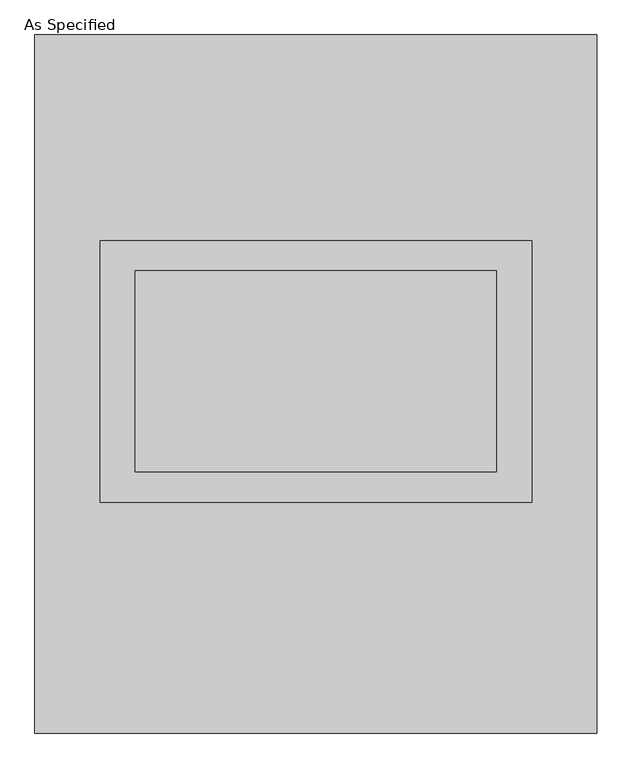
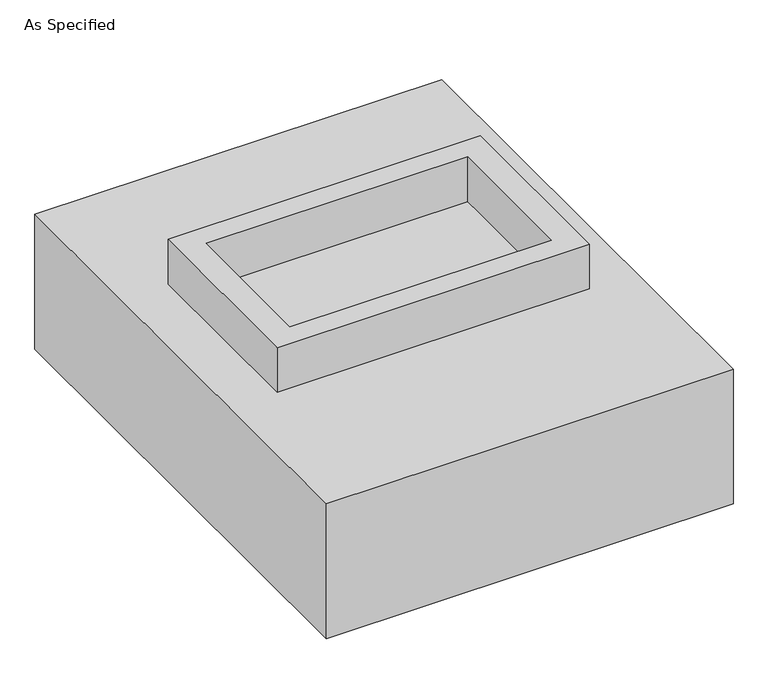
"""IFC4 building model written with IfcOpenShell, lengths in millimetres: proxy geometry, As Specified."""

import ifcopenshell
import ifcopenshell.guid

model = None  # the IFC model being written
_history = None  # IfcOwnerHistory: only IFC2X3 demands one
_inside = {}  # id of a spatial element -> (the spatial element, [elements in it])
_under = {}  # id of a project, library or spatial element -> (it, [spatial elements below it])
_declared = {}  # id of a project -> (the project, [libraries it declares])
_typed = {}  # id of a type object -> (the type object, [elements of that type])
_made_of = {}  # id of a material, layer set ... -> (it, [elements and type objects made of it])


def new_model(schema):
    """Start an empty IFC model of exactly this schema.

    Asked for "IFC4X3", IfcOpenShell would pick the latest addendum, in which some entities
    have other attributes; the version numbers below select the first issue.
    IFC2X3 requires an IfcOwnerHistory on every rooted entity: one is made here for all.
    """
    global model, _history
    if schema == "IFC4X3":
        model = ifcopenshell.file(schema_version=(4, 3, 0, 0))
    else:
        model = ifcopenshell.file(schema=schema)
    _inside.clear()
    _under.clear()
    _declared.clear()
    _typed.clear()
    _made_of.clear()
    _history = None
    if model.schema == "IFC2X3":
        org = make("IfcOrganization", Name="unknown")
        user = make(
            "IfcPersonAndOrganization",
            ThePerson=make("IfcPerson", FamilyName="unknown"),
            TheOrganization=org,
        )
        app = make(
            "IfcApplication",
            ApplicationDeveloper=org,
            Version="unknown",
            ApplicationFullName="unknown",
            ApplicationIdentifier="unknown",
        )
        _history = make(
            "IfcOwnerHistory",
            OwningUser=user,
            OwningApplication=app,
            ChangeAction="ADDED",
            CreationDate=0,
        )
    return model


def make(cls, **values):
    """One entity of the class cls with the attributes given. An attribute that is None is left unset."""
    return model.create_entity(
        cls, **{name: value for name, value in values.items() if value is not None}
    )


def rooted(cls, **values):
    """An entity with a GlobalId (a new one), such as an element, a storey or a relation."""
    return make(cls, GlobalId=ifcopenshell.guid.new(), OwnerHistory=_history, **values)


def si_unit(unit_type, name, prefix=None):
    """IfcSIUnit, for example si_unit("LENGTHUNIT", "METRE", prefix="MILLI")."""
    return make("IfcSIUnit", UnitType=unit_type, Prefix=prefix, Name=name)


def assignment(units):
    """IfcUnitAssignment: the units of a project."""
    return None if units is None else make("IfcUnitAssignment", Units=units)


def point(xyz):
    """IfcCartesianPoint."""
    return None if xyz is None else make("IfcCartesianPoint", Coordinates=xyz)


def direction(xyz):
    """IfcDirection."""
    return None if xyz is None else make("IfcDirection", DirectionRatios=xyz)


def frame(location, z_axis=None, x_axis=None):
    """IfcAxis2Placement3D, a coordinate frame: its origin and axes. An axis left out is left unset."""
    return make(
        "IfcAxis2Placement3D",
        Location=point(location),
        Axis=direction(z_axis),
        RefDirection=direction(x_axis),
    )


def origin():
    """The frame at (0, 0, 0) with its axes left unset."""
    return frame((0.0, 0.0, 0.0))


def place(relative_to, where):
    """IfcLocalPlacement: puts the frame where relative to a parent placement (None: the world)."""
    return make(
        "IfcLocalPlacement", PlacementRelTo=relative_to, RelativePlacement=where
    )


def context(
    kind, dimensions, precision=None, world=None, true_north=None, identifier=None
):
    """IfcGeometricRepresentationContext, for example the 3D "Model" context."""
    return make(
        "IfcGeometricRepresentationContext",
        ContextIdentifier=identifier,
        ContextType=kind,
        CoordinateSpaceDimension=dimensions,
        Precision=precision,
        WorldCoordinateSystem=world,
        TrueNorth=true_north,
    )


def project(units=None, contexts=None):
    """IfcProject with its units and contexts."""
    return rooted(
        "IfcProject",
        Name="project",
        RepresentationContexts=contexts,
        UnitsInContext=assignment(units),
    )


def spatial(cls, under=None, at=None, **own):
    """A site, building, storey or space (cls), placed at a placement, below another one or the project."""
    s = rooted(cls, ObjectPlacement=at, **own)
    if under is not None:
        _under.setdefault(under.id(), (under, []))[1].append(s)
    return s


def polyline(points):
    """IfcPolyline through the points."""
    return make("IfcPolyline", Points=[point(p) for p in points])


def outline(outer, holes=None, kind="AREA"):
    """IfcArbitraryClosedProfileDef: a profile drawn as a closed curve; with holes, ...WithVoids."""
    if holes is None:
        return make("IfcArbitraryClosedProfileDef", ProfileType=kind, OuterCurve=outer)
    return make(
        "IfcArbitraryProfileDefWithVoids",
        ProfileType=kind,
        OuterCurve=outer,
        InnerCurves=holes,
    )


def extrude(swept, where, along, depth):
    """IfcExtrudedAreaSolid: the profile swept, set in the frame where, extruded along a direction by depth."""
    return make(
        "IfcExtrudedAreaSolid",
        SweptArea=swept,
        Position=where,
        ExtrudedDirection=direction(along),
        Depth=depth,
    )


def faces_of(points, faces, orient=None, outer=None):
    """IfcFace entities. A face is a list of loops; a loop is a list of indices into points, from 0.

    orient and outer hold one flag for each loop. By default every Orientation is true, the
    first loop of a face is its IfcFaceOuterBound and the others are IfcFaceBound.
    """
    made = []
    for i, loops in enumerate(faces):
        bounds = []
        for j, loop in enumerate(loops):
            is_outer = j == 0 if outer is None else outer[i][j]
            bounds.append(
                make(
                    "IfcFaceOuterBound" if is_outer else "IfcFaceBound",
                    Bound=make("IfcPolyLoop", Polygon=[points[k] for k in loop]),
                    Orientation=True if orient is None else orient[i][j],
                )
            )
        made.append(make("IfcFace", Bounds=bounds))
    return made


def faceted_brep(points, faces, orient=None, outer=None, voids=None):
    """IfcFacetedBrep: a solid bounded by flat faces; with voids (closed shells), ...WithVoids."""
    shared = [point(p) for p in points]
    hull = make("IfcClosedShell", CfsFaces=faces_of(shared, faces, orient, outer))
    if voids is None:
        return make("IfcFacetedBrep", Outer=hull)
    return make(
        "IfcFacetedBrepWithVoids",
        Outer=hull,
        Voids=[
            make(cls, CfsFaces=faces_of(shared, fs, o, b)) for cls, fs, o, b in voids
        ],
    )


def shape(context_of_items, identifier, shape_type, items):
    """IfcShapeRepresentation: the items that make up one representation, for example the "Body"."""
    return make(
        "IfcShapeRepresentation",
        ContextOfItems=context_of_items,
        RepresentationIdentifier=identifier,
        RepresentationType=shape_type,
        Items=items,
    )


def source(mapping_origin, context_of_items, identifier, shape_type, items):
    """IfcRepresentationMap: a shape defined once, which mapped items show again and again."""
    return make(
        "IfcRepresentationMap",
        MappingOrigin=mapping_origin,
        MappedRepresentation=shape(context_of_items, identifier, shape_type, items),
    )


def transform(
    local_origin,
    x_axis=None,
    y_axis=None,
    z_axis=None,
    scale=None,
    scale2=None,
    scale3=None,
    uniform=True,
):
    """IfcCartesianTransformationOperator3D, or its non-uniform kind. x_axis, y_axis, z_axis: its Axis1, 2, 3."""
    if uniform:
        return make(
            "IfcCartesianTransformationOperator3D",
            Axis1=direction(x_axis),
            Axis2=direction(y_axis),
            LocalOrigin=point(local_origin),
            Scale=scale,
            Axis3=direction(z_axis),
        )
    return make(
        "IfcCartesianTransformationOperator3DnonUniform",
        Axis1=direction(x_axis),
        Axis2=direction(y_axis),
        LocalOrigin=point(local_origin),
        Scale=scale,
        Axis3=direction(z_axis),
        Scale2=scale2,
        Scale3=scale3,
    )


def mapped(mapping_source, mapping_target):
    """IfcMappedItem: shows the shape of a source again, moved by a transform."""
    return make(
        "IfcMappedItem", MappingSource=mapping_source, MappingTarget=mapping_target
    )


def made_of(thing, what):
    """Note that an element or type object is made of a material, layer set ...; save() writes the relation."""
    if what is not None:
        _made_of.setdefault(what.id(), (what, []))[1].append(thing)
    return thing


def element(
    cls,
    number,
    at=None,
    inside=None,
    cuts=None,
    type_object=None,
    material=None,
    context=None,
    identifier="Body",
    shape_type=None,
    held_by="IfcProductDefinitionShape",
    body=None,
    shapes=None,
    **own,
):
    """One element of the class cls, such as IfcWall. Its Tag is "e" and its number.

    at: its placement. inside: the storey or other place that contains it. cuts: it is an
    opening in that element (IfcRelVoidsElement). A single representation is given by context,
    identifier, shape_type and body (its items); several are given by shapes. held_by: the class
    of the entity that holds the representations. save() writes the other relations.
    """
    e = rooted(cls, Tag="e%d" % number, ObjectPlacement=at, **own)
    if body is not None:
        shapes = [shape(context, identifier, shape_type, body)]
    if shapes is not None:
        e.Representation = make(held_by, Representations=shapes)
    if inside is not None:
        _inside.setdefault(inside.id(), (inside, []))[1].append(e)
    if cuts is not None:
        rooted(
            "IfcRelVoidsElement", RelatingBuildingElement=cuts, RelatedOpeningElement=e
        )
    if type_object is not None:
        _typed.setdefault(type_object.id(), (type_object, []))[1].append(e)
    return made_of(e, material)


def aggregate(whole, parts):
    """IfcRelAggregates: a whole, such as a stair, and the parts it consists of."""
    return rooted("IfcRelAggregates", RelatingObject=whole, RelatedObjects=parts)


def save(model, path):
    """Write the relations noted so far, then the file.

    IfcRelAggregates (storeys below a building ...), IfcRelContainedInSpatialStructure (elements
    in a storey), IfcRelDefinesByType, IfcRelAssociatesMaterial and IfcRelDeclares: one each for
    every whole, place, type object, material and project.
    """
    for whole, parts in _under.values():
        aggregate(whole, parts)
    for where, things in _inside.values():
        rooted(
            "IfcRelContainedInSpatialStructure",
            RelatedElements=things,
            RelatingStructure=where,
        )
    for kind, things in _typed.values():
        rooted("IfcRelDefinesByType", RelatedObjects=things, RelatingType=kind)
    for what, things in _made_of.values():
        rooted("IfcRelAssociatesMaterial", RelatedObjects=things, RelatingMaterial=what)
    for by, libraries in _declared.values():
        rooted("IfcRelDeclares", RelatingContext=by, RelatedDefinitions=libraries)
    model.write(path)


def as_specified_22e70765(model_context):
    return source(origin(), model_context, "Body", "SolidModel", [
        extrude(outline(polyline([(546.1, 361.95), (546.1, -298.45), (-546.1, -298.45), (-546.1, 361.95), (546.1, 361.95)]), holes=[polyline([(457.2, 285.75), (-457.2, 285.75), (-457.2, -222.25), (457.2, -222.25), (457.2, 285.75)])]), frame((0.0, 0.0, -25.4), z_axis=(0.0, 0.0, 1.0), x_axis=(1.0, 0.0, 0.0)), (0.0, 0.0, 1.0), 165.1),
        extrude(outline(polyline([(457.2, 285.75), (457.2, -222.25), (-457.2, -222.25), (-457.2, 285.75), (457.2, 285.75)])), frame((0.0, 0.0, -30.3609375), z_axis=(0.0, 0.0, 1.0), x_axis=(1.0, 0.0, 0.0)), (0.0, 0.0, 1.0), 4.9609375),
        faceted_brep([(711.2, -882.65, -523.875), (-711.2, -882.65, -523.875), (-711.2, 882.65, -523.875), (711.2, 882.65, -523.875), (711.2, 882.65, -25.4), (-711.2, 882.65, -25.4), (-711.2, -882.65, -25.4), (711.2, -882.65, -25.4), (546.1, 361.95, -25.4), (546.1, -298.45, -25.4), (-546.1, -298.45, -25.4), (-546.1, 361.95, -25.4), (546.1, 361.95, -498.475), (-546.1, 361.95, -498.475), (-546.1, -298.45, -498.475), (546.1, -298.45, -498.475)], [[[0, 1, 2, 3]], [[4, 5, 6, 7], [8, 9, 10, 11]], [[3, 2, 5, 4]], [[2, 1, 6, 5]], [[0, 3, 4, 7]], [[12, 13, 14, 15]], [[14, 13, 11, 10]], [[13, 12, 8, 11]], [[12, 15, 9, 8]], [[10, 9, 15, 14]], [[1, 0, 7, 6]]]),
    ])


if __name__ == "__main__":
    model = new_model("IFC4")
    model_context = context("Model", 3, world=origin())
    ifc_project = project(units=[si_unit("LENGTHUNIT", "METRE", prefix="MILLI")], contexts=[model_context])
    site = spatial("IfcSite", under=ifc_project)
    building = spatial("IfcBuilding", under=site)
    placement = place(None, origin())
    as_specified_shape = as_specified_22e70765(model_context)
    element("IfcBuildingElementProxy", 1, Name="As Specified", ObjectType="As Specified", at=placement, inside=building, context=model_context, shape_type="MappedRepresentation", body=[
        mapped(as_specified_shape, transform((0.0, 0.0, 0.0), x_axis=(1.0, 0.0, 0.0), y_axis=(0.0, 1.0, 0.0), z_axis=(0.0, 0.0, 1.0))),
    ])
    save(model, "model.ifc")
